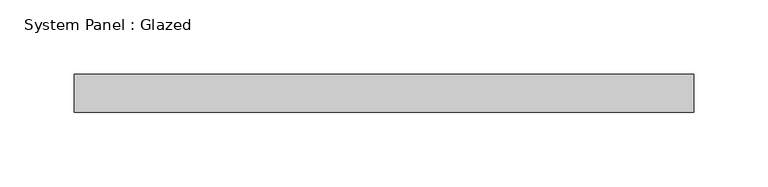
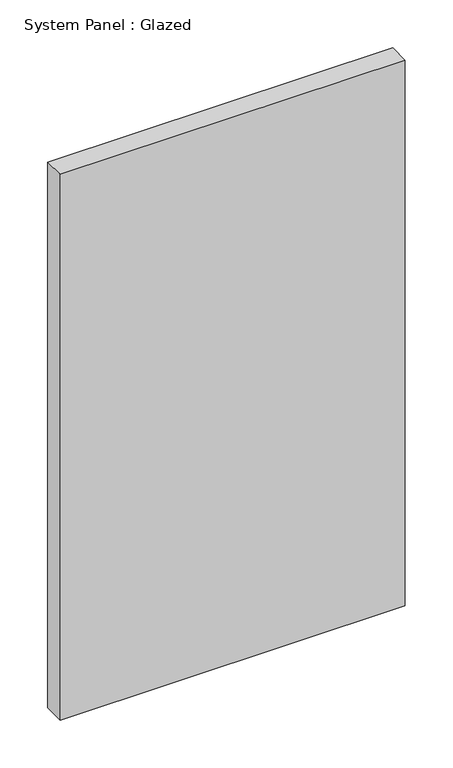
"""IFC4 building model written with IfcOpenShell, lengths in millimetres: plate geometry, System Panel : Glazed."""

from ifc_helpers import new_model, si_unit, origin, origin_with_axes, place, context, project, spatial, polyline, outline, extrude, source, transform, mapped, element, save


def system_panel_glazed_db4f7755(model_context):
    return source(origin(), model_context, "Body", "SweptSolid", [
        extrude(outline(polyline([(207.9625, -12.7), (-207.9625, -12.7), (-207.9625, 12.7), (207.9625, 12.7), (207.9625, -12.7)])), origin_with_axes(), (0.0, 0.0, 1.0), 695.325),
    ])


if __name__ == "__main__":
    model = new_model("IFC4")
    model_context = context("Model", 3, world=origin())
    ifc_project = project(units=[si_unit("LENGTHUNIT", "METRE", prefix="MILLI")], contexts=[model_context])
    site = spatial("IfcSite", under=ifc_project)
    building = spatial("IfcBuilding", under=site)
    placement = place(None, origin())
    system_panel_glazed_shape = system_panel_glazed_db4f7755(model_context)
    element("IfcPlate", 1, ObjectType="System Panel : Glazed", at=placement, inside=building, context=model_context, shape_type="MappedRepresentation", body=[
        mapped(system_panel_glazed_shape, transform((0.0, 0.0, 0.0), x_axis=(1.0, 0.0, 0.0), y_axis=(0.0, 1.0, 0.0), z_axis=(0.0, 0.0, 1.0))),
    ])
    save(model, "model.ifc")
